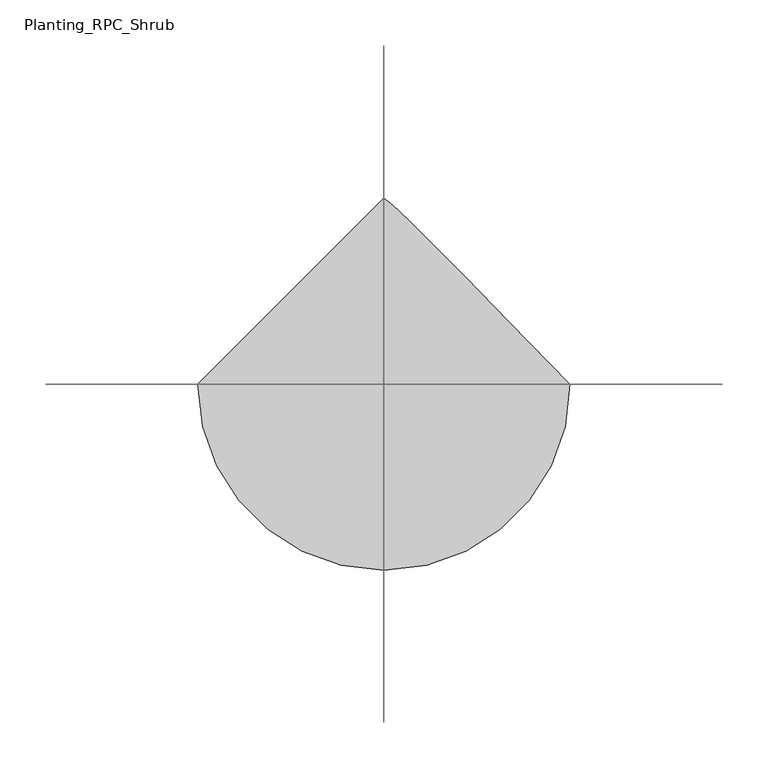
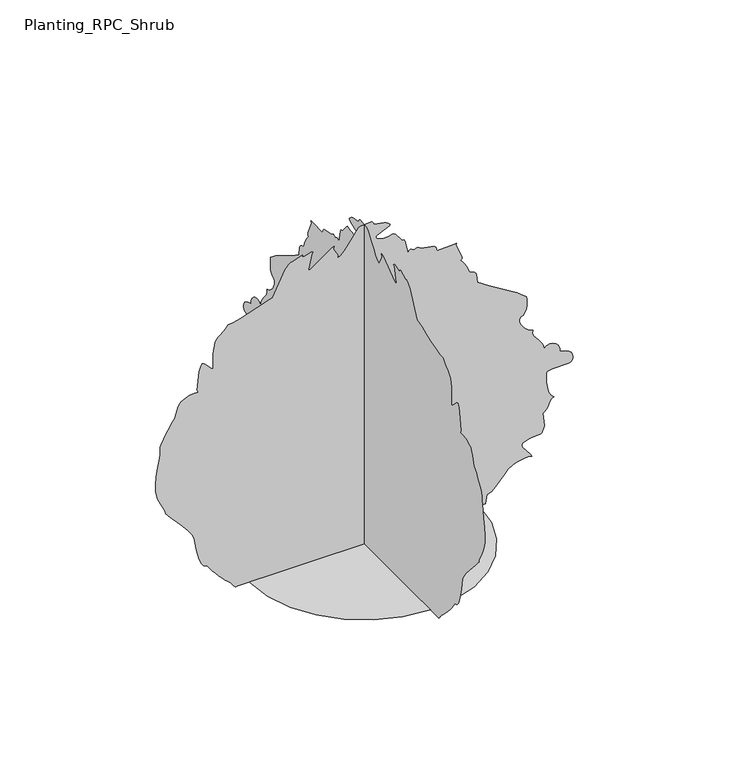
"""IFC4 building model written with IfcOpenShell, lengths in millimetres: geographic element geometry, Planting_RPC_Shrub."""

from ifc_helpers import new_model, si_unit, origin, place, context, project, spatial, triangles, source, transform, mapped, element, save


def planting_rpc_shrub_1b78f9b2(model_context):
    return source(origin(), model_context, "Body", "Tessellation", [
        triangles([(-203.6751587, 0.0, 0.0), (-198.2918209, -46.6690355, 0.0), (-182.9568194, -89.5270753, 0.0), (-158.8986222, -127.3462694, 0.0), (-127.3462694, -158.8986222, 0.0), (-89.5270753, -182.9568194, 0.0), (-46.6690355, -198.2918209, 0.0), (8.9e-06, -203.6751587, 0.0), (46.6690355, -198.2918209, 0.0), (89.5270753, -182.9568194, 0.0), (127.3462694, -158.8986222, 0.0), (158.8986222, -127.3462694, 0.0), (182.9568194, -89.5270753, 0.0), (198.2918209, -46.6690355, 0.0), (203.6751587, 1.78e-05, 0.0), (137.4857759, 67.8948883, 0.0), (88.4157333, 117.8829299, 0.0), (53.6123753, 152.9484585, 0.0), (30.2225239, 176.076807, 0.0), (15.3927287, 190.2501606, 0.0), (6.2696715, 198.4551649, 0.0), (-2.67e-05, 203.6751587, 0.0), (-231.466849, 1.41e-05, 2.8540355), (-233.5935179, 1.4e-05, 5.5660211), (-235.6185215, 1.38e-05, 8.0862229), (-237.5451844, 1.37e-05, 10.3648084), (-239.3751962, 1.36e-05, 12.3520769), (-241.1135349, 1.34e-05, 13.9981781), (-242.7602004, 1.34e-05, 15.2533454), (-246.598538, 1.32e-05, 18.7218485), (-251.6802046, 1.29e-05, 23.83902), (-257.5185473, 1.25e-05, 30.1233566), (-263.6335447, 1.21e-05, 37.093196), (-269.5368908, 1.17e-05, 44.2672017), (-274.7435497, 1.13e-05, 51.1638737), (-278.7718831, 1.09e-05, 57.3017122), (-284.9868925, 1.08e-05, 59.2587149), (-289.7102234, 1.04e-05, 65.0835501), (-293.2502326, 9.9e-06, 73.7622264), (-295.9102447, 9.3e-06, 84.2814017), (-298.0002334, 8.6e-06, 95.626912), (-299.8235777, 7.9e-06, 106.7850881), (-301.6885802, 7.3e-06, 116.7422565), (-305.6969293, 6.9e-06, 124.5462677), (-312.9569149, 6.3e-06, 134.5701108), (-322.1535919, 5.6e-06, 145.7187854), (-331.9735957, 4.9e-06, 156.8971274), (-341.1019266, 4.3e-06, 167.0101366), (-348.2236213, 3.9e-06, 174.9634665), (-352.0236073, 3.6e-06, 179.6618171), (-353.0052698, 3.3e-06, 183.6651519), (-355.1686189, 3e-06, 188.8251567), (-358.0402822, 2.7e-06, 194.6768163), (-361.1486318, 2.3e-06, 200.7601659), (-364.0202951, 2e-06, 206.6118254), (-366.1836442, 1.7e-06, 211.770177), (-367.1653067, 1.4e-06, 215.7751651), (-370.1202862, 7e-07, 227.198523), (-370.5003139, -1e-07, 240.8768669), (-369.1203109, -9e-07, 255.6368671), (-366.7919646, -1.8e-06, 270.3002163), (-364.3303053, -2.6e-06, 283.6902238), (-362.5469476, -3.3e-06, 294.6302356), (-362.2552866, -3.7e-06, 301.9435791), (-361.8452826, -4.1e-06, 308.2552397), (-359.7002827, -4.5e-06, 314.8619222), (-356.3269421, -4.9e-06, 321.6385798), (-352.2369664, -5.3e-06, 328.4635992), (-347.940281, -5.7e-06, 335.2069376), (-343.9485915, -6.1e-06, 341.7469454), (-340.7702608, -6.4e-06, 347.9569588), (-337.7269509, -6.6e-06, 350.7719396), (-335.4185889, -6.9e-06, 355.4486163), (-333.5486086, -7.2e-06, 361.2436114), (-331.8269477, -7.6e-06, 367.4086421), (-329.9586024, -8e-06, 373.2019658), (-327.6486053, -8.2e-06, 377.8786426), (-324.6052591, -8.4e-06, 380.6952948), (-320.6785729, -8.5e-06, 382.7902977), (-316.9669172, -8.6e-06, 384.6003253), (-313.2852379, -8.7e-06, 386.0836287), (-309.4485898, -8.8e-06, 387.1952977), (-305.2702475, -8.8e-06, 387.8903134), (-300.5619048, -8.8e-06, 388.1253282), (-295.1419049, -8.8e-06, 387.8569942), (-296.6469003, -9.1e-06, 392.2469879), (-293.2085745, -1.11e-05, 425.2836705), (-290.5668935, -1.15e-05, 432.8886932), (-287.4435558, -1.18e-05, 438.4220037), (-285.1152277, -1.18e-05, 438.062033), (-282.7918957, -1.17e-05, 436.3753627), (-271.9985501, -1.1e-05, 424.8219981), (-268.5418752, -1.09e-05, 422.8453382), (-268.3702106, -1.14e-05, 431.3653487), (-268.4502202, -1.18e-05, 437.1819995), (-268.5835515, -1.2e-05, 441.4053609), (-268.5718879, -1.22e-05, 445.1470293), (-268.2168769, -1.25e-05, 449.5170387), (-267.3185487, -1.29e-05, 455.6270219), (-265.6768793, -1.34e-05, 464.5870491), (-264.6268707, -1.38e-05, 470.7853626), (-262.3402189, -1.4e-05, 475.2920643), (-259.0718682, -1.42e-05, 478.7703767), (-255.0718762, -1.44e-05, 481.8837041), (-250.5968586, -1.46e-05, 485.2987209), (-245.8968548, -1.49e-05, 489.6787225), (-241.2251923, -1.53e-05, 495.6887117), (-232.6235189, -1.53e-05, 496.2237445), (-220.0385131, -1.55e-05, 499.3720625), (-205.325167, -1.58e-05, 504.115414), (-190.3468117, -1.61e-05, 509.4370731), (-176.960147, -1.64e-05, 514.3170805), (-167.0234715, -1.66e-05, 517.7370752), (-162.3976274, -1.66e-05, 518.6820757), (-140.2096104, -1.93e-05, 563.4971091), (-134.6839393, -1.97e-05, 570.5704419), (-129.5059396, -1.99e-05, 573.5438069), (-126.7934325, -1.99e-05, 573.3921083), (-110.7149263, -2.03e-05, 580.1304688), (-109.2262545, -2.03e-05, 579.6954663), (-110.2849199, -2.01e-05, 576.8304523), (-106.2187527, -2.01e-05, 577.0271336), (-94.7332438, -2.03e-05, 580.6021334), (-92.5812403, -2.03e-05, 580.1537959), (-90.5267418, -2.02e-05, 578.3521254), (-92.3832418, -2.01e-05, 577.7121208), (-98.6155831, -1.85e-05, 549.9021177), (-98.711244, -1.83e-05, 547.2504264), (-93.2000706, -1.85e-05, 549.4504375), (-59.0027121, -1.99e-05, 574.4137756), (-53.4915433, -2.01e-05, 576.6137867), (-54.6170423, -1.98e-05, 572.8254642), (-53.8278781, -1.96e-05, 569.3321091), (-47.6307046, -1.9e-05, 559.4437955), (-46.8413723, -1.89e-05, 555.9504404), (-47.9668714, -1.86e-05, 552.1621179), (-41.7035319, -1.88e-05, 554.8587919), (-34.8330278, -1.92e-05, 561.8171245), (-27.8001881, -1.98e-05, 571.2588083), (-21.0496826, -2.04e-05, 581.397143), (-15.0267286, -2.09e-05, 590.4554564), (-10.1757415, -2.13e-05, 596.6504634), (-6.9416389, -2.13e-05, 598.2004778), (12.4085438, -2.15e-05, 600.0004769), (14.1287445, -2.14e-05, 599.198818), (15.6538626, -2.13e-05, 597.0371404), (17.5098471, -2.1e-05, 593.085492), (35.017362, -2.09e-05, 590.4388149), (38.5650288, -2.08e-05, 588.8871291), (41.973033, -2.07e-05, 586.5637971), (45.3372036, -2.05e-05, 583.2638168), (44.6588702, -2.03e-05, 581.0521422), (41.5527008, -2.02e-05, 578.8521312), (22.7831842, -1.97e-05, 570.9254711), (20.9881834, -1.96e-05, 569.3504582), (21.0850161, -1.95e-05, 566.7471288), (23.3390187, -1.93e-05, 564.4054476), (27.2491884, -1.92e-05, 562.5237674), (32.3145269, -1.92e-05, 561.3021123), (38.0335297, -1.92e-05, 560.945448), (43.9057003, -1.92e-05, 561.6504559), (49.4297045, -1.93e-05, 563.6204664), (52.1888748, -1.93e-05, 563.6421221), (55.2433758, -1.92e-05, 561.113788), (64.9980538, -1.84e-05, 548.4287702), (68.052723, -1.82e-05, 545.9004361), (70.8118887, -1.82e-05, 545.9204204), (72.5437234, -1.81e-05, 542.6304322), (77.2572302, -1.67e-05, 519.4237455), (80.0982268, -1.68e-05, 522.4520854), (82.2077365, -1.69e-05, 523.393743), (83.952897, -1.69e-05, 523.0137517), (87.8225736, -1.68e-05, 521.333767), (90.68241, -1.68e-05, 521.5604247), (94.6494098, -1.69e-05, 523.5154289), (101.1144131, -1.67e-05, 519.4554296), (123.6805957, -1.64e-05, 514.9503994), (127.0104342, -1.62e-05, 511.5304047), (128.8201075, -1.58e-05, 505.1004192), (159.6736294, -1.59e-05, 505.9304194), (163.6046395, -1.59e-05, 506.7370563), (162.5669666, -1.57e-05, 503.1887263), (173.0217972, -1.42e-05, 478.3887139), (173.4834696, -1.4e-05, 474.0137266), (170.7668113, -1.39e-05, 472.1570449), (173.516807, -1.37e-05, 469.5803853), (176.2401328, -1.35e-05, 465.9320251), (178.8634828, -1.32e-05, 461.5687014), (181.3168033, -1.29e-05, 456.8503484), (183.5268064, -1.27e-05, 452.1320317), (185.4218216, -1.24e-05, 447.770343), (186.9301416, -1.22e-05, 444.125362), (191.7018162, -1.21e-05, 442.5986747), (195.2234944, -1.2e-05, 440.7236801), (197.6884965, -1.18e-05, 438.3353448), (199.2901611, -1.17e-05, 435.2703429), (200.8451534, -1.08e-05, 420.3903282), (221.4885155, -9.9e-06, 406.3553201), (270.8902239, -8.1e-06, 375.8453001), (287.480236, -7.4e-06, 363.1752886), (288.6369059, -7.1e-06, 358.8969523), (288.7069053, -6.4e-06, 346.6619433), (287.4818892, -6e-06, 340.220258), (285.3235544, -5.7e-06, 334.5702759), (282.1635547, -5.4e-06, 330.4686004), (277.9335621, -5.3e-06, 328.671944), (275.3335573, -5.1e-06, 324.9786012), (275.5652292, -4.8e-06, 319.6885898), (278.0552299, -4.4e-06, 313.571921), (282.2252333, -4e-06, 307.3952631), (287.5002384, -3.7e-06, 301.9269014), (293.3035724, -3.5e-06, 297.9352301), (299.0585808, -3.3e-06, 296.1885707), (298.2719101, -3e-06, 290.9952285), (300.4869093, -2.7e-06, 285.5218889), (304.6102405, -2.4e-06, 279.7868829), (309.5469123, -2e-06, 273.8052167), (314.2035685, -1.6e-06, 267.5952215), (317.4836008, -1.3e-06, 261.1718672), (318.2935804, -9e-07, 254.5501966), (323.2402625, -1.1e-06, 258.7685437), (328.963605, -1.2e-06, 260.1768698), (334.8369384, -1.2e-06, 259.1852152), (340.2302865, -1e-06, 256.2035295), (344.5186149, -7e-07, 251.6435426), (347.0736188, -4e-07, 245.9168572), (347.2652859, 0.0, 239.433532), (356.48529, 1e-07, 237.2835179), (363.0252977, 3e-07, 234.2251835), (367.2769641, 5e-07, 230.5685208), (369.6369581, 8e-07, 226.6235218), (370.5003139, 1e-06, 222.7018498), (370.2586135, 1.2e-06, 219.1118437), (369.3086351, 1.4e-06, 216.1668381), (366.4736338, 1.6e-06, 213.2701763), (361.9952734, 1.6e-06, 212.1635033), (333.5336022, 1.6e-06, 212.248509), (325.2502779, 1.8e-06, 210.0468265), (323.5269093, 2e-06, 206.8801593), (322.7852757, 2.4e-06, 199.9234982), (323.0886003, 2.9e-06, 190.616817), (324.5035938, 3.5e-06, 180.4034688), (327.0902455, 4.1e-06, 170.7251351), (330.9152664, 4.6e-06, 163.0224621), (336.0435871, 4.8e-06, 158.7392933), (332.148585, 5e-06, 156.1216297), (329.4035854, 5.2e-06, 152.4776297), (327.355273, 5.5e-06, 148.2377813), (325.5485882, 5.7e-06, 143.8327813), (323.5335949, 6e-06, 139.6927814), (320.8569414, 6.2e-06, 136.2482788), (317.0652397, 6.3e-06, 133.9297702), (319.2319316, 7.7e-06, 110.1860887), (318.1069276, 8.1e-06, 104.4404183), (314.7752632, 8.5e-06, 98.048412), (313.6752577, 8.5e-06, 96.7182425), (294.1069027, 8.6e-06, 95.3830769), (280.2352203, 8.9e-06, 90.960736), (279.3135651, 9.1e-06, 87.1572345), (280.570229, 9.3e-06, 83.187564), (294.7485605, 1.04e-05, 65.3163847), (297.4219075, 1.07e-05, 60.268546), (293.2969049, 1.06e-05, 61.7525488), (283.9435696, 1.06e-05, 61.8573844), (273.1702264, 1.08e-05, 59.1517128), (272.0502185, 1.08e-05, 58.6317137), (263.3318735, 1.09e-05, 56.3733804), (255.2201956, 1.13e-05, 50.5102072), (247.5451917, 1.18e-05, 42.4546988), (240.1351971, 1.23e-05, 33.6191938), (232.815186, 1.28e-05, 25.4166876), (225.4151835, 1.31e-05, 19.2593486), (217.7635067, 1.33e-05, 16.5597961), (214.5368322, 1.43e-05, 2.63e-05), (-229.2351902, 1.43e-05, 2.63e-05), (-3e-06, -231.466849, 2.8540523), (-3e-06, -233.5935179, 5.5660375), (-3e-06, -235.6185215, 8.0862229), (-3e-06, -237.5451844, 10.3648254), (-3e-06, -239.3751962, 12.3520928), (-3e-06, -241.1135349, 13.998194), (-3e-06, -242.7602004, 15.2533454), (-3e-06, -246.598538, 18.7218485), (-3e-06, -251.6802046, 23.83902), (-3e-06, -257.5185473, 30.1233566), (-3e-06, -263.6335447, 37.093196), (-3e-06, -269.5368908, 44.2673697), (-3e-06, -274.7435497, 51.1638737), (-3e-06, -278.7718831, 57.3017122), (-3e-06, -284.9868925, 59.2587149), (-3e-06, -289.7102234, 65.0835501), (-3e-06, -293.2502326, 73.7623944), (-3e-06, -295.9102447, 84.2814017), (-3e-06, -298.0002334, 95.626912), (-3e-06, -299.8235777, 106.7850881), (-3e-06, -301.6885802, 116.7422565), (-3e-06, -305.6969293, 124.5462677), (-3e-06, -312.9569149, 134.5701108), (-3e-06, -322.1535919, 145.7187854), (-3e-06, -331.9735957, 156.8971274), (-3e-06, -341.1019266, 167.0101366), (-3e-06, -348.2236213, 174.9634665), (-3e-06, -352.0236073, 179.6618171), (-3e-06, -353.0052698, 183.6651519), (-3e-06, -355.1686189, 188.8251567), (-3e-06, -358.0402822, 194.6768163), (-3e-06, -361.1486318, 200.7601659), (-3e-06, -364.0202951, 206.6118254), (-3e-06, -366.1836442, 211.770177), (-3e-06, -367.1653067, 215.7751651), (-3e-06, -370.1202862, 227.198523), (-3e-06, -370.5003139, 240.8768669), (-3e-06, -369.1203109, 255.6368671), (-3e-06, -366.7919646, 270.3002163), (-3e-06, -364.3303053, 283.6902238), (-3e-06, -362.5469476, 294.6302356), (-3e-06, -362.2552866, 301.9435791), (-3e-06, -361.8452826, 308.2552397), (-3e-06, -359.7002827, 314.8619222), (-3e-06, -356.3269421, 321.6385798), (-3e-06, -352.2369664, 328.4635992), (-3e-06, -347.940281, 335.2069376), (-3e-06, -343.9485915, 341.7469454), (-3e-06, -340.7702608, 347.9569588), (-3e-06, -337.7269509, 350.7719396), (-3e-06, -335.4185889, 355.4486163), (-3e-06, -333.5486086, 361.2436114), (-3e-06, -331.8269477, 367.4086421), (-3e-06, -329.9586024, 373.2019658), (-3e-06, -327.6486053, 377.880314), (-3e-06, -324.6052591, 380.6952948), (-3e-06, -320.6785729, 382.7902977), (-3e-06, -316.9669172, 384.6003253), (-3e-06, -313.2852379, 386.0836287), (-3e-06, -309.4485898, 387.1952977), (-3e-06, -305.2702475, 387.8903134), (-3e-06, -300.5619048, 388.1253282), (-3e-06, -295.1419049, 387.8569942), (-3e-06, -296.6469003, 392.2469879), (-3e-06, -293.2085745, 425.2836705), (-3e-06, -290.5668935, 432.8886932), (-3e-06, -287.4435558, 438.4220037), (-3e-06, -285.1152277, 438.062033), (-3e-06, -282.7918957, 436.3753627), (-3e-06, -271.9985501, 424.8219981), (-3e-06, -268.5418752, 422.8453382), (-3e-06, -268.3702106, 431.3653487), (-3e-06, -268.4502202, 437.1819995), (-3e-06, -268.5835515, 441.4053609), (-3e-06, -268.5718879, 445.1470293), (-3e-06, -268.2168769, 449.5170387), (-3e-06, -267.3185487, 455.6270219), (-3e-06, -265.6768793, 464.5870491), (-3e-06, -264.6268707, 470.7853626), (-3e-06, -262.3402189, 475.2920643), (-3e-06, -259.0718682, 478.7703767), (-3e-06, -255.0718762, 481.8837041), (-3e-06, -250.5968586, 485.2987209), (-3e-06, -245.8968548, 489.6787225), (-3e-06, -241.2251923, 495.6887117), (-3e-06, -232.6235189, 496.2237445), (-3e-06, -220.0385131, 499.3720625), (-3e-06, -205.325167, 504.115414), (-3e-06, -190.3468117, 509.4370731), (-3e-06, -176.960147, 514.3170805), (-3e-06, -167.0234715, 517.7370752), (-3e-06, -162.3976274, 518.6820757), (-3e-06, -140.2096104, 563.4971091), (-3e-06, -134.6839393, 570.5704419), (-3e-06, -129.5059396, 573.5438069), (-3e-06, -126.7934325, 573.3921083), (-3e-06, -110.7149263, 580.1304688), (-3e-06, -109.226091, 579.6954663), (-3e-06, -110.2849199, 576.8304523), (-3e-06, -106.2187527, 577.0271336), (-3e-06, -94.7332438, 580.6021334), (-3e-06, -92.5812403, 580.1537959), (-3e-06, -90.5267418, 578.3521254), (-3e-06, -92.3832418, 577.7121208), (-3e-06, -98.6155831, 549.9021177), (-3e-06, -98.711244, 547.2520978), (-3e-06, -93.2000706, 549.4504375), (-3e-06, -59.0027121, 574.4137756), (-3e-06, -53.4915433, 576.6137867), (-3e-06, -54.6170423, 572.8254642), (-3e-06, -53.8278781, 569.3321091), (-3e-06, -47.6307046, 559.4437955), (-3e-06, -46.8413723, 555.9504404), (-3e-06, -47.9668714, 552.1621179), (-3e-06, -41.7035319, 554.8587919), (-3e-06, -34.8330278, 561.8171245), (-3e-06, -27.8001881, 571.2588083), (-3e-06, -21.0496826, 581.397143), (-3e-06, -15.0267286, 590.4554564), (-3e-06, -10.1757415, 596.6504634), (-3e-06, -6.9416389, 598.2004778), (-3e-06, 12.4085438, 600.0004769), (-3e-06, 14.1287445, 599.198818), (-3e-06, 15.6538626, 597.0371404), (-3e-06, 17.5098471, 593.085492), (-3e-06, 35.017362, 590.4388149), (-3e-06, 38.5650288, 588.8871291), (-3e-06, 41.973033, 586.5637971), (-3e-06, 45.3372036, 583.2638168), (-3e-06, 44.6588702, 581.0521422), (-3e-06, 41.5527008, 578.8538026), (-3e-06, 22.7831842, 570.9254711), (-3e-06, 20.9881834, 569.3504582), (-3e-06, 21.0850161, 566.7471288), (-3e-06, 23.3390187, 564.4054476), (-3e-06, 27.2491884, 562.5237674), (-3e-06, 32.3145269, 561.3037837), (-3e-06, 38.0335297, 560.945448), (-3e-06, 43.9057003, 561.6504559), (-3e-06, 49.4297045, 563.6204664), (-3e-06, 52.1888748, 563.6421221), (-3e-06, 55.2433758, 561.113788), (-3e-06, 64.9980538, 548.4287702), (-3e-06, 68.052723, 545.9004361), (-3e-06, 70.8118887, 545.9220918), (-3e-06, 72.5437234, 542.6304322), (-3e-06, 77.2572302, 519.4237455), (-3e-06, 80.0982268, 522.4520854), (-3e-06, 82.2077365, 523.393743), (-3e-06, 83.952897, 523.0137517), (-3e-06, 87.8225736, 521.333767), (-3e-06, 90.68241, 521.5604247), (-3e-06, 94.6494098, 523.5154289), (-3e-06, 101.1144131, 519.4554296), (-3e-06, 123.6805957, 514.9503994), (-3e-06, 127.0104342, 511.5304047), (-3e-06, 128.8201075, 505.1004192), (-3e-06, 159.6736294, 505.9304194), (-3e-06, 163.6046395, 506.7370563), (-3e-06, 162.5669666, 503.1887263), (-3e-06, 173.0217972, 478.3887139), (-3e-06, 173.4834696, 474.0137266), (-3e-06, 170.7668113, 472.1570449), (-3e-06, 173.516807, 469.5803853), (-3e-06, 176.2401328, 465.9320251), (-3e-06, 178.8634828, 461.5687014), (-3e-06, 181.3168033, 456.8503484), (-3e-06, 183.5268064, 452.1320317), (-3e-06, 185.4218216, 447.770343), (-3e-06, 186.9301416, 444.125362), (-3e-06, 191.7018162, 442.5986747), (-3e-06, 195.2234944, 440.7236801), (-3e-06, 197.6884965, 438.3353448), (-3e-06, 199.2901611, 435.2703429), (-3e-06, 200.8451534, 420.3903282), (-3e-06, 221.4885155, 406.3553201), (-3e-06, 270.8902239, 375.8469715), (-3e-06, 287.480236, 363.1752886), (-3e-06, 288.6369059, 358.8969523), (-3e-06, 288.7069053, 346.6619433), (-3e-06, 287.4818892, 340.220258), (-3e-06, 285.3235544, 334.5702759), (-3e-06, 282.1635547, 330.4686004), (-3e-06, 277.9335621, 328.671944), (-3e-06, 275.3335573, 324.9786012), (-3e-06, 275.5652292, 319.6885898), (-3e-06, 278.0552299, 313.571921), (-3e-06, 282.2252333, 307.3952631), (-3e-06, 287.5002384, 301.9269014), (-3e-06, 293.3035724, 297.9352301), (-3e-06, 299.0585808, 296.1885707), (-3e-06, 298.2719101, 290.9952285), (-3e-06, 300.4869093, 285.5218889), (-3e-06, 304.6102405, 279.7868829), (-3e-06, 309.5469123, 273.8052167), (-3e-06, 314.2035685, 267.5952215), (-3e-06, 317.4836008, 261.1718672), (-3e-06, 318.2935804, 254.5501966), (-3e-06, 323.2402625, 258.7685437), (-3e-06, 328.963605, 260.1768698), (-3e-06, 334.8369384, 259.1852152), (-3e-06, 340.2302865, 256.2035295), (-3e-06, 344.5186149, 251.6435426), (-3e-06, 347.0736188, 245.9168572), (-3e-06, 347.2652859, 239.433532), (-3e-06, 356.48529, 237.2835179), (-3e-06, 363.0252977, 234.2251835), (-3e-06, 367.2769641, 230.5685208), (-3e-06, 369.6369581, 226.6235218), (-3e-06, 370.5003139, 222.7018498), (-3e-06, 370.2586135, 219.1118437), (-3e-06, 369.3086351, 216.1668381), (-3e-06, 366.4736338, 213.2701763), (-3e-06, 361.9952734, 212.1635033), (-3e-06, 333.5336022, 212.248509), (-3e-06, 325.2502779, 210.0468265), (-3e-06, 323.5269093, 206.8801593), (-3e-06, 322.7852757, 199.9234982), (-3e-06, 323.0886003, 190.616817), (-3e-06, 324.5035938, 180.4034688), (-3e-06, 327.0902455, 170.7251351), (-3e-06, 330.9152664, 163.0226256), (-3e-06, 336.0435871, 158.7392933), (-3e-06, 332.148585, 156.1216297), (-3e-06, 329.4035854, 152.4776297), (-3e-06, 327.355273, 148.2377813), (-3e-06, 325.5485882, 143.8327813), (-3e-06, 323.5335949, 139.6927814), (-3e-06, 320.8569414, 136.2482788), (-3e-06, 317.0652397, 133.9297702), (-3e-06, 319.2319316, 110.1860887), (-3e-06, 318.1069276, 104.4404183), (-3e-06, 314.7752632, 98.048412), (-3e-06, 313.6752577, 96.7184151), (-3e-06, 294.1069027, 95.3830769), (-3e-06, 280.2352203, 90.960736), (-3e-06, 279.3135651, 87.1574071), (-3e-06, 280.570229, 83.187564), (-3e-06, 294.7485605, 65.3163847), (-3e-06, 297.4219075, 60.268546), (-3e-06, 293.2969049, 61.7525488), (-3e-06, 283.9435696, 61.8573844), (-3e-06, 273.1702264, 59.1517128), (-3e-06, 272.0502185, 58.6317137), (-3e-06, 263.3318735, 56.3733804), (-3e-06, 255.2201956, 50.5102072), (-3e-06, 247.5451917, 42.4546988), (-3e-06, 240.1351971, 33.6191938), (-3e-06, 232.815186, 25.4166876), (-3e-06, 225.4151835, 19.2593486), (-3e-06, 217.7635067, 16.5598132), (-3e-06, 214.5368322, 3.96e-05), (-3e-06, -229.2351902, 3.96e-05)], [[21, 22, 1], [20, 21, 1], [19, 20, 1], [18, 19, 1], [17, 18, 1], [17, 1, 2], [17, 2, 3], [17, 3, 4], [16, 17, 4], [16, 4, 5], [16, 5, 6], [16, 6, 7], [16, 7, 8], [16, 8, 9], [16, 9, 10], [16, 10, 11], [16, 11, 12], [15, 16, 12], [14, 15, 12], [13, 14, 12], [261, 262, 263], [130, 131, 132], [124, 125, 126], [180, 181, 182], [244, 245, 246], [119, 120, 121], [118, 119, 121], [212, 213, 214], [273, 274, 275], [123, 124, 126], [260, 261, 263], [88, 89, 90], [88, 90, 91], [260, 263, 264], [87, 88, 91], [87, 91, 92], [122, 123, 126], [166, 167, 168], [150, 151, 152], [150, 152, 153], [149, 150, 153], [148, 149, 153], [148, 153, 154], [147, 148, 154], [147, 154, 155], [87, 92, 93], [183, 184, 185], [122, 126, 127], [121, 122, 127], [174, 175, 176], [130, 132, 133], [129, 130, 133], [260, 264, 265], [129, 133, 134], [129, 134, 135], [129, 135, 136], [273, 275, 23], [86, 87, 93], [85, 86, 93], [273, 23, 24], [273, 24, 25], [273, 25, 26], [118, 121, 127], [118, 127, 128], [106, 107, 108], [273, 26, 27], [260, 265, 266], [260, 266, 267], [259, 260, 267], [244, 246, 247], [179, 180, 182], [273, 27, 28], [255, 256, 257], [162, 163, 164], [161, 162, 164], [117, 118, 128], [116, 117, 128], [115, 116, 128], [114, 115, 128], [273, 28, 29], [273, 29, 30], [273, 30, 31], [273, 31, 32], [273, 32, 33], [273, 33, 34], [273, 34, 35], [273, 35, 36], [161, 164, 165], [170, 171, 172], [169, 170, 172], [169, 172, 173], [254, 255, 257], [253, 254, 257], [252, 253, 257], [252, 257, 258], [243, 244, 247], [160, 161, 165], [36, 37, 38], [243, 247, 248], [36, 38, 39], [273, 36, 39], [273, 39, 40], [273, 40, 41], [273, 41, 42], [273, 42, 43], [273, 43, 44], [273, 44, 45], [273, 45, 46], [273, 46, 47], [272, 273, 47], [271, 272, 47], [270, 271, 47], [269, 270, 47], [268, 269, 47], [267, 268, 47], [259, 267, 47], [258, 259, 47], [252, 258, 47], [252, 47, 48], [252, 48, 49], [252, 49, 50], [252, 50, 51], [252, 51, 52], [252, 52, 53], [252, 53, 54], [252, 54, 55], [252, 55, 56], [252, 56, 57], [252, 57, 58], [252, 58, 59], [252, 59, 60], [252, 60, 61], [252, 61, 62], [252, 62, 63], [252, 63, 64], [252, 64, 65], [252, 65, 66], [252, 66, 67], [252, 67, 68], [252, 68, 69], [252, 69, 70], [252, 70, 71], [252, 71, 72], [252, 72, 73], [252, 73, 74], [252, 74, 75], [252, 75, 76], [252, 76, 77], [252, 77, 78], [252, 78, 79], [252, 79, 80], [252, 80, 81], [252, 81, 82], [252, 82, 83], [252, 83, 84], [252, 84, 85], [252, 85, 93], [252, 93, 94], [252, 94, 95], [252, 95, 96], [252, 96, 97], [252, 97, 98], [252, 98, 99], [252, 99, 100], [252, 100, 101], [252, 101, 102], [252, 102, 103], [252, 103, 104], [252, 104, 105], [252, 105, 106], [252, 106, 108], [252, 108, 109], [252, 109, 110], [252, 110, 111], [252, 111, 112], [252, 112, 113], [252, 113, 114], [252, 114, 128], [252, 128, 129], [252, 129, 136], [252, 136, 137], [252, 137, 138], [251, 252, 138], [250, 251, 138], [249, 250, 138], [248, 249, 138], [243, 248, 138], [242, 243, 138], [241, 242, 138], [240, 241, 138], [239, 240, 138], [238, 239, 138], [238, 138, 139], [238, 139, 140], [238, 140, 141], [238, 141, 142], [238, 142, 143], [237, 238, 143], [234, 235, 236], [233, 234, 236], [232, 233, 236], [231, 232, 236], [230, 231, 236], [229, 230, 236], [228, 229, 236], [227, 228, 236], [227, 236, 237], [179, 182, 183], [179, 183, 185], [199, 200, 201], [199, 201, 202], [199, 202, 203], [199, 203, 204], [199, 204, 205], [199, 205, 206], [199, 206, 207], [198, 199, 207], [198, 207, 208], [144, 145, 146], [144, 146, 147], [144, 147, 155], [143, 144, 155], [143, 155, 156], [237, 143, 156], [237, 156, 157], [237, 157, 158], [237, 158, 159], [237, 159, 160], [177, 178, 179], [226, 227, 237], [225, 226, 237], [224, 225, 237], [223, 224, 237], [222, 223, 237], [221, 222, 237], [220, 221, 237], [220, 237, 160], [219, 220, 160], [218, 219, 160], [166, 168, 169], [165, 166, 169], [160, 165, 169], [218, 160, 169], [217, 218, 169], [216, 217, 169], [215, 216, 169], [215, 169, 173], [215, 173, 174], [215, 174, 176], [211, 212, 214], [211, 214, 215], [194, 195, 196], [193, 194, 196], [192, 193, 196], [192, 196, 197], [197, 198, 208], [176, 177, 179], [197, 208, 209], [176, 179, 185], [185, 186, 187], [176, 185, 187], [176, 187, 188], [176, 188, 189], [176, 189, 190], [176, 190, 191], [176, 191, 192], [176, 192, 197], [176, 197, 209], [176, 209, 210], [215, 176, 210], [211, 215, 210], [514, 515, 516], [383, 384, 385], [377, 378, 379], [433, 434, 435], [497, 498, 499], [372, 373, 374], [371, 372, 374], [465, 466, 467], [526, 527, 528], [376, 377, 379], [513, 514, 516], [341, 342, 343], [341, 343, 344], [513, 516, 517], [340, 341, 344], [340, 344, 345], [375, 376, 379], [419, 420, 421], [403, 404, 405], [403, 405, 406], [402, 403, 406], [401, 402, 406], [401, 406, 407], [400, 401, 407], [400, 407, 408], [340, 345, 346], [436, 437, 438], [375, 379, 380], [374, 375, 380], [427, 428, 429], [383, 385, 386], [382, 383, 386], [513, 517, 518], [382, 386, 387], [382, 387, 388], [382, 388, 389], [526, 528, 276], [339, 340, 346], [338, 339, 346], [526, 276, 277], [526, 277, 278], [526, 278, 279], [371, 374, 380], [371, 380, 381], [359, 360, 361], [526, 279, 280], [513, 518, 519], [513, 519, 520], [512, 513, 520], [497, 499, 500], [432, 433, 435], [526, 280, 281], [508, 509, 510], [415, 416, 417], [414, 415, 417], [370, 371, 381], [369, 370, 381], [368, 369, 381], [367, 368, 381], [526, 281, 282], [526, 282, 283], [526, 283, 284], [526, 284, 285], [526, 285, 286], [526, 286, 287], [526, 287, 288], [526, 288, 289], [414, 417, 418], [423, 424, 425], [422, 423, 425], [422, 425, 426], [507, 508, 510], [506, 507, 510], [505, 506, 510], [505, 510, 511], [496, 497, 500], [413, 414, 418], [289, 290, 291], [496, 500, 501], [289, 291, 292], [526, 289, 292], [526, 292, 293], [526, 293, 294], [526, 294, 295], [526, 295, 296], [526, 296, 297], [526, 297, 298], [526, 298, 299], [526, 299, 300], [525, 526, 300], [524, 525, 300], [523, 524, 300], [522, 523, 300], [521, 522, 300], [520, 521, 300], [512, 520, 300], [511, 512, 300], [505, 511, 300], [505, 300, 301], [505, 301, 302], [505, 302, 303], [505, 303, 304], [505, 304, 305], [505, 305, 306], [505, 306, 307], [505, 307, 308], [505, 308, 309], [505, 309, 310], [505, 310, 311], [505, 311, 312], [505, 312, 313], [505, 313, 314], [505, 314, 315], [505, 315, 316], [505, 316, 317], [505, 317, 318], [505, 318, 319], [505, 319, 320], [505, 320, 321], [505, 321, 322], [505, 322, 323], [505, 323, 324], [505, 324, 325], [505, 325, 326], [505, 326, 327], [505, 327, 328], [505, 328, 329], [505, 329, 330], [505, 330, 331], [505, 331, 332], [505, 332, 333], [505, 333, 334], [505, 334, 335], [505, 335, 336], [505, 336, 337], [505, 337, 338], [505, 338, 346], [505, 346, 347], [505, 347, 348], [505, 348, 349], [505, 349, 350], [505, 350, 351], [505, 351, 352], [505, 352, 353], [505, 353, 354], [505, 354, 355], [505, 355, 356], [505, 356, 357], [505, 357, 358], [505, 358, 359], [505, 359, 361], [505, 361, 362], [505, 362, 363], [505, 363, 364], [505, 364, 365], [505, 365, 366], [505, 366, 367], [505, 367, 381], [505, 381, 382], [505, 382, 389], [505, 389, 390], [505, 390, 391], [504, 505, 391], [503, 504, 391], [502, 503, 391], [501, 502, 391], [496, 501, 391], [495, 496, 391], [494, 495, 391], [493, 494, 391], [492, 493, 391], [491, 492, 391], [491, 391, 392], [491, 392, 393], [491, 393, 394], [491, 394, 395], [491, 395, 396], [490, 491, 396], [487, 488, 489], [486, 487, 489], [485, 486, 489], [484, 485, 489], [483, 484, 489], [482, 483, 489], [481, 482, 489], [480, 481, 489], [480, 489, 490], [432, 435, 436], [432, 436, 438], [452, 453, 454], [452, 454, 455], [452, 455, 456], [452, 456, 457], [452, 457, 458], [452, 458, 459], [452, 459, 460], [451, 452, 460], [451, 460, 461], [397, 398, 399], [397, 399, 400], [397, 400, 408], [396, 397, 408], [396, 408, 409], [490, 396, 409], [490, 409, 410], [490, 410, 411], [490, 411, 412], [490, 412, 413], [430, 431, 432], [479, 480, 490], [478, 479, 490], [477, 478, 490], [476, 477, 490], [475, 476, 490], [474, 475, 490], [473, 474, 490], [473, 490, 413], [472, 473, 413], [471, 472, 413], [419, 421, 422], [418, 419, 422], [413, 418, 422], [471, 413, 422], [470, 471, 422], [469, 470, 422], [468, 469, 422], [468, 422, 426], [468, 426, 427], [468, 427, 429], [464, 465, 467], [464, 467, 468], [447, 448, 449], [446, 447, 449], [445, 446, 449], [445, 449, 450], [450, 451, 461], [429, 430, 432], [450, 461, 462], [429, 432, 438], [438, 439, 440], [429, 438, 440], [429, 440, 441], [429, 441, 442], [429, 442, 443], [429, 443, 444], [429, 444, 445], [429, 445, 450], [429, 450, 462], [429, 462, 463], [468, 429, 463], [464, 468, 463]], closed=False),
    ])


if __name__ == "__main__":
    model = new_model("IFC4")
    model_context = context("Model", 3, world=origin())
    ifc_project = project(units=[si_unit("LENGTHUNIT", "METRE", prefix="MILLI")], contexts=[model_context])
    site = spatial("IfcSite", under=ifc_project)
    building = spatial("IfcBuilding", under=site)
    placement = place(None, origin())
    planting_rpc_shrub_shape = planting_rpc_shrub_1b78f9b2(model_context)
    element("IfcGeographicElement", 1, ObjectType="Planting_RPC_Shrub", at=placement, inside=building, context=model_context, shape_type="MappedRepresentation", body=[
        mapped(planting_rpc_shrub_shape, transform((0.0, 0.0, 0.0), x_axis=(1.0, 0.0, 0.0), y_axis=(0.0, 1.0, 0.0), z_axis=(0.0, 0.0, 1.0))),
    ])
    save(model, "model.ifc")
